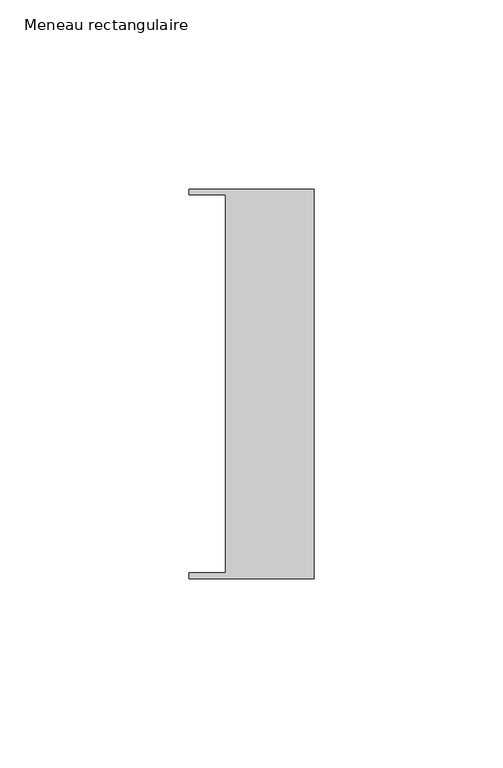
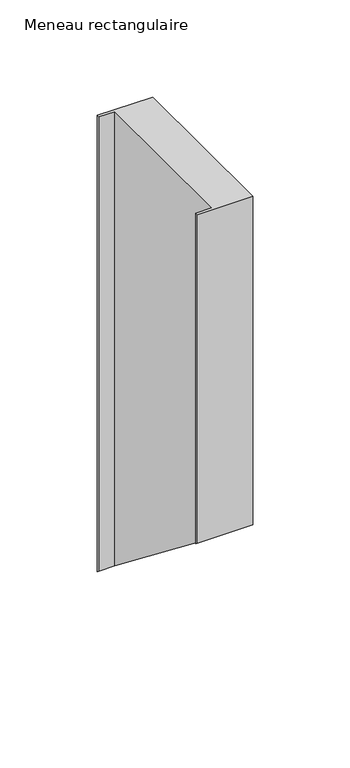
"""IFC4 building model written with IfcOpenShell, lengths in millimetres: member geometry, Meneau rectangulaire."""

from ifc_helpers import new_model, si_unit, origin, place, context, project, spatial, faceted_brep, source, transform, mapped, element, save


def meneau_rectangulaire_75a3b1ed(model_context):
    return source(origin(), model_context, "Body", "Brep", [
        faceted_brep([(-33.0, 51.4622428, 0.0), (-33.0, 49.9614402, 0.0), (-23.4, 49.9614402, 0.0), (-23.4, -49.9505712, 0.0), (-33.0, -49.9505712, 0.0), (-33.0, -51.4712299, 0.0), (0.0, -51.4712299, 0.0), (0.0, 51.4622428, 0.0), (-23.4, 49.9614402, -285.6130448), (-23.4, -49.9505712, -207.7097255), (-33.0, -51.4712299, -206.5240386), (0.0, -51.4712299, -206.5240386), (0.0, 51.4622428, -286.7832494), (-33.0, 51.4622428, -286.7832494), (-33.0, -49.9505712, -207.7097255), (-33.0, 49.9614402, -285.6130448)], [[[0, 1, 2, 3, 4, 5, 6, 7]], [[3, 2, 8, 9]], [[6, 5, 10, 11]], [[7, 6, 11, 12]], [[0, 7, 12, 13]], [[13, 12, 11, 10, 14, 9, 8, 15]], [[1, 0, 13, 15]], [[2, 1, 15, 8]], [[4, 3, 9, 14]], [[5, 4, 14, 10]]]),
    ])


if __name__ == "__main__":
    model = new_model("IFC4")
    model_context = context("Model", 3, world=origin())
    ifc_project = project(units=[si_unit("LENGTHUNIT", "METRE", prefix="MILLI")], contexts=[model_context])
    site = spatial("IfcSite", under=ifc_project)
    building = spatial("IfcBuilding", under=site)
    placement = place(None, origin())
    meneau_rectangulaire_shape = meneau_rectangulaire_75a3b1ed(model_context)
    element("IfcMember", 1, ObjectType="Meneau rectangulaire", at=placement, inside=building, context=model_context, shape_type="MappedRepresentation", body=[
        mapped(meneau_rectangulaire_shape, transform((0.0, 0.0, 0.0), x_axis=(1.0, 0.0, 0.0), y_axis=(0.0, 1.0, 0.0), z_axis=(0.0, 0.0, 1.0))),
    ])
    save(model, "model.ifc")
